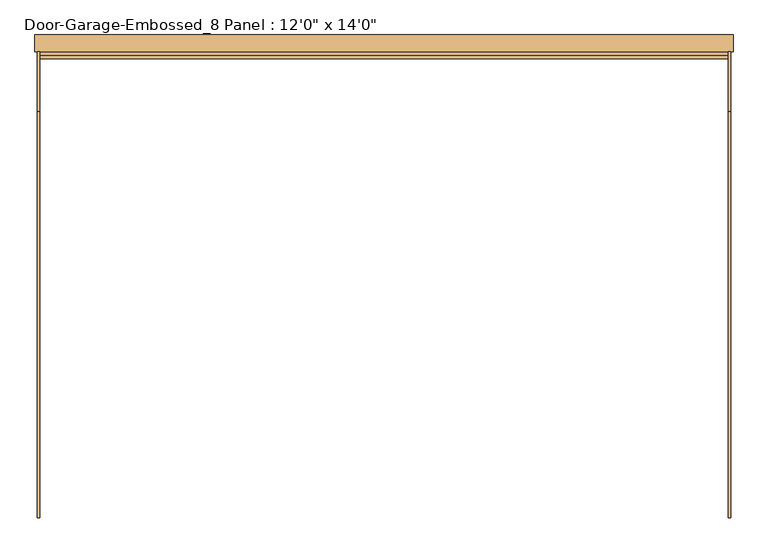
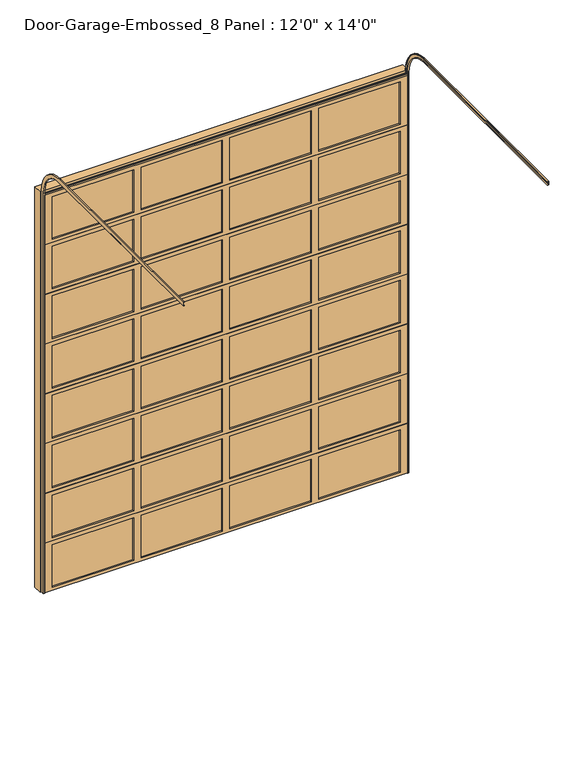
"""IFC4 building model written with IfcOpenShell, lengths in millimetres: door geometry."""

from ifc_helpers import new_model, si_unit, frame, origin, place, context, project, spatial, polyline, circle_curve, outline, extrude, faceted_brep, source, transform, mapped, element, save
from ifc_brep_helpers import plane_surface, cylinder_surface, revolved_surface, advanced_brep


def door_18953475(model_context):
    return source(origin(), model_context, "Body", "SolidModel", [
        extrude(outline(polyline([(857.25, -63.5), (857.25, -69.85), (38.1, -69.85), (38.1, -63.5), (857.25, -63.5)])), frame((0.0, 0.0, 3746.5), z_axis=(0.0, 0.0, 1.0), x_axis=(1.0, 0.0, 0.0)), (0.0, 0.0, 1.0), 454.025),
        extrude(outline(polyline([(-38.1, -63.5), (-38.1, -69.85), (-857.25, -69.85), (-857.25, -63.5), (-38.1, -63.5)])), frame((0.0, 0.0, 3746.5), z_axis=(0.0, 0.0, 1.0), x_axis=(1.0, 0.0, 0.0)), (0.0, 0.0, 1.0), 454.025),
        extrude(outline(polyline([(1752.6, -63.5), (1752.6, -69.85), (933.45, -69.85), (933.45, -63.5), (1752.6, -63.5)])), frame((0.0, 0.0, 3746.5), z_axis=(0.0, 0.0, 1.0), x_axis=(1.0, 0.0, 0.0)), (0.0, 0.0, 1.0), 454.025),
        extrude(outline(polyline([(-933.45, -63.5), (-933.45, -69.85), (-1752.6, -69.85), (-1752.6, -63.5), (-933.45, -63.5)])), frame((0.0, 0.0, 3746.5), z_axis=(0.0, 0.0, 1.0), x_axis=(1.0, 0.0, 0.0)), (0.0, 0.0, 1.0), 454.025),
        faceted_brep([(1828.8, -69.85, 4241.8), (1828.8, -85.725, 4241.8), (1828.8, -85.725, 3714.75), (1828.8, -63.5, 3714.75), (1828.8, -63.5, 3708.4), (1828.8, -47.625, 3708.4), (1828.8, -47.625, 4235.45), (1828.8, -69.85, 4235.45), (-1828.8, -85.725, 4241.8), (-1828.8, -69.85, 4241.8), (-1828.8, -69.85, 4235.45), (-1828.8, -47.625, 4235.45), (-1828.8, -47.625, 3708.4), (-1828.8, -63.5, 3708.4), (-1828.8, -63.5, 3714.75), (-1828.8, -85.725, 3714.75), (933.45, -85.725, 4200.525), (1752.6, -85.725, 4200.525), (1752.6, -85.725, 3746.5), (933.45, -85.725, 3746.5), (-857.25, -85.725, 4200.525), (-38.1, -85.725, 4200.525), (-38.1, -85.725, 3746.5), (-857.25, -85.725, 3746.5), (38.1, -85.725, 4200.525), (857.25, -85.725, 4200.525), (857.25, -85.725, 3746.5), (38.1, -85.725, 3746.5), (-1752.6, -85.725, 4200.525), (-933.45, -85.725, 4200.525), (-933.45, -85.725, 3746.5), (-1752.6, -85.725, 3746.5), (1752.6, -47.625, 4200.525), (933.45, -47.625, 4200.525), (933.45, -47.625, 3746.5), (1752.6, -47.625, 3746.5), (-38.1, -47.625, 4200.525), (-857.25, -47.625, 4200.525), (-857.25, -47.625, 3746.5), (-38.1, -47.625, 3746.5), (857.25, -47.625, 4200.525), (38.1, -47.625, 4200.525), (38.1, -47.625, 3746.5), (857.25, -47.625, 3746.5), (-933.45, -47.625, 4200.525), (-1752.6, -47.625, 4200.525), (-1752.6, -47.625, 3746.5), (-933.45, -47.625, 3746.5)], [[[0, 1, 2, 3, 4, 5, 6, 7]], [[8, 9, 10, 11, 12, 13, 14, 15]], [[1, 0, 9, 8]], [[2, 1, 8, 15], [16, 17, 18, 19], [20, 21, 22, 23], [24, 25, 26, 27], [28, 29, 30, 31]], [[3, 2, 15, 14]], [[4, 3, 14, 13]], [[5, 4, 13, 12]], [[6, 5, 12, 11], [32, 33, 34, 35], [36, 37, 38, 39], [40, 41, 42, 43], [44, 45, 46, 47]], [[7, 6, 11, 10]], [[0, 7, 10, 9]], [[16, 33, 32, 17]], [[33, 16, 19, 34]], [[34, 19, 18, 35]], [[17, 32, 35, 18]], [[20, 37, 36, 21]], [[37, 20, 23, 38]], [[38, 23, 22, 39]], [[21, 36, 39, 22]], [[24, 41, 40, 25]], [[41, 24, 27, 42]], [[42, 27, 26, 43]], [[25, 40, 43, 26]], [[28, 45, 44, 29]], [[45, 28, 31, 46]], [[46, 31, 30, 47]], [[29, 44, 47, 30]]]),
        extrude(outline(polyline([(857.25, -63.5), (857.25, -69.85), (38.1, -69.85), (38.1, -63.5), (857.25, -63.5)])), frame((0.0, 0.0, 2159.0), z_axis=(0.0, 0.0, 1.0), x_axis=(1.0, 0.0, 0.0)), (0.0, 0.0, 1.0), 454.025),
        extrude(outline(polyline([(-38.1, -63.5), (-38.1, -69.85), (-857.25, -69.85), (-857.25, -63.5), (-38.1, -63.5)])), frame((0.0, 0.0, 2159.0), z_axis=(0.0, 0.0, 1.0), x_axis=(1.0, 0.0, 0.0)), (0.0, 0.0, 1.0), 454.025),
        extrude(outline(polyline([(1752.6, -63.5), (1752.6, -69.85), (933.45, -69.85), (933.45, -63.5), (1752.6, -63.5)])), frame((0.0, 0.0, 2159.0), z_axis=(0.0, 0.0, 1.0), x_axis=(1.0, 0.0, 0.0)), (0.0, 0.0, 1.0), 454.025),
        extrude(outline(polyline([(-933.45, -63.5), (-933.45, -69.85), (-1752.6, -69.85), (-1752.6, -63.5), (-933.45, -63.5)])), frame((0.0, 0.0, 2159.0), z_axis=(0.0, 0.0, 1.0), x_axis=(1.0, 0.0, 0.0)), (0.0, 0.0, 1.0), 454.025),
        faceted_brep([(1828.8, -69.85, 2654.3), (1828.8, -85.725, 2654.3), (1828.8, -85.725, 2127.25), (1828.8, -63.5, 2127.25), (1828.8, -63.5, 2120.9), (1828.8, -47.625, 2120.9), (1828.8, -47.625, 2647.95), (1828.8, -69.85, 2647.95), (-1828.8, -85.725, 2654.3), (-1828.8, -69.85, 2654.3), (-1828.8, -69.85, 2647.95), (-1828.8, -47.625, 2647.95), (-1828.8, -47.625, 2120.9), (-1828.8, -63.5, 2120.9), (-1828.8, -63.5, 2127.25), (-1828.8, -85.725, 2127.25), (933.45, -85.725, 2613.025), (1752.6, -85.725, 2613.025), (1752.6, -85.725, 2159.0), (933.45, -85.725, 2159.0), (-857.25, -85.725, 2613.025), (-38.1, -85.725, 2613.025), (-38.1, -85.725, 2159.0), (-857.25, -85.725, 2159.0), (38.1, -85.725, 2613.025), (857.25, -85.725, 2613.025), (857.25, -85.725, 2159.0), (38.1, -85.725, 2159.0), (-1752.6, -85.725, 2613.025), (-933.45, -85.725, 2613.025), (-933.45, -85.725, 2159.0), (-1752.6, -85.725, 2159.0), (1752.6, -47.625, 2613.025), (933.45, -47.625, 2613.025), (933.45, -47.625, 2159.0), (1752.6, -47.625, 2159.0), (-38.1, -47.625, 2613.025), (-857.25, -47.625, 2613.025), (-857.25, -47.625, 2159.0), (-38.1, -47.625, 2159.0), (857.25, -47.625, 2613.025), (38.1, -47.625, 2613.025), (38.1, -47.625, 2159.0), (857.25, -47.625, 2159.0), (-933.45, -47.625, 2613.025), (-1752.6, -47.625, 2613.025), (-1752.6, -47.625, 2159.0), (-933.45, -47.625, 2159.0)], [[[0, 1, 2, 3, 4, 5, 6, 7]], [[8, 9, 10, 11, 12, 13, 14, 15]], [[1, 0, 9, 8]], [[2, 1, 8, 15], [16, 17, 18, 19], [20, 21, 22, 23], [24, 25, 26, 27], [28, 29, 30, 31]], [[3, 2, 15, 14]], [[4, 3, 14, 13]], [[5, 4, 13, 12]], [[6, 5, 12, 11], [32, 33, 34, 35], [36, 37, 38, 39], [40, 41, 42, 43], [44, 45, 46, 47]], [[7, 6, 11, 10]], [[0, 7, 10, 9]], [[16, 33, 32, 17]], [[33, 16, 19, 34]], [[34, 19, 18, 35]], [[17, 32, 35, 18]], [[20, 37, 36, 21]], [[37, 20, 23, 38]], [[38, 23, 22, 39]], [[21, 36, 39, 22]], [[24, 41, 40, 25]], [[41, 24, 27, 42]], [[42, 27, 26, 43]], [[25, 40, 43, 26]], [[28, 45, 44, 29]], [[45, 28, 31, 46]], [[46, 31, 30, 47]], [[29, 44, 47, 30]]]),
        extrude(outline(polyline([(857.25, -63.5), (857.25, -69.85), (38.1, -69.85), (38.1, -63.5), (857.25, -63.5)])), frame((0.0, 0.0, 1098.55), z_axis=(0.0, 0.0, 1.0), x_axis=(1.0, 0.0, 0.0)), (0.0, 0.0, 1.0), 454.025),
        extrude(outline(polyline([(-38.1, -63.5), (-38.1, -69.85), (-857.25, -69.85), (-857.25, -63.5), (-38.1, -63.5)])), frame((0.0, 0.0, 1098.55), z_axis=(0.0, 0.0, 1.0), x_axis=(1.0, 0.0, 0.0)), (0.0, 0.0, 1.0), 454.025),
        extrude(outline(polyline([(1752.6, -63.5), (1752.6, -69.85), (933.45, -69.85), (933.45, -63.5), (1752.6, -63.5)])), frame((0.0, 0.0, 1098.55), z_axis=(0.0, 0.0, 1.0), x_axis=(1.0, 0.0, 0.0)), (0.0, 0.0, 1.0), 454.025),
        extrude(outline(polyline([(-933.45, -63.5), (-933.45, -69.85), (-1752.6, -69.85), (-1752.6, -63.5), (-933.45, -63.5)])), frame((0.0, 0.0, 1098.55), z_axis=(0.0, 0.0, 1.0), x_axis=(1.0, 0.0, 0.0)), (0.0, 0.0, 1.0), 454.025),
        faceted_brep([(1828.8, -69.85, 1593.85), (1828.8, -85.725, 1593.85), (1828.8, -85.725, 1066.8), (1828.8, -63.5, 1066.8), (1828.8, -63.5, 1060.45), (1828.8, -47.625, 1060.45), (1828.8, -47.625, 1587.5), (1828.8, -69.85, 1587.5), (-1828.8, -85.725, 1593.85), (-1828.8, -69.85, 1593.85), (-1828.8, -69.85, 1587.5), (-1828.8, -47.625, 1587.5), (-1828.8, -47.625, 1060.45), (-1828.8, -63.5, 1060.45), (-1828.8, -63.5, 1066.8), (-1828.8, -85.725, 1066.8), (933.45, -85.725, 1552.575), (1752.6, -85.725, 1552.575), (1752.6, -85.725, 1098.55), (933.45, -85.725, 1098.55), (-857.25, -85.725, 1552.575), (-38.1, -85.725, 1552.575), (-38.1, -85.725, 1098.55), (-857.25, -85.725, 1098.55), (38.1, -85.725, 1552.575), (857.25, -85.725, 1552.575), (857.25, -85.725, 1098.55), (38.1, -85.725, 1098.55), (-1752.6, -85.725, 1552.575), (-933.45, -85.725, 1552.575), (-933.45, -85.725, 1098.55), (-1752.6, -85.725, 1098.55), (1752.6, -47.625, 1552.575), (933.45, -47.625, 1552.575), (933.45, -47.625, 1098.55), (1752.6, -47.625, 1098.55), (-38.1, -47.625, 1552.575), (-857.25, -47.625, 1552.575), (-857.25, -47.625, 1098.55), (-38.1, -47.625, 1098.55), (857.25, -47.625, 1552.575), (38.1, -47.625, 1552.575), (38.1, -47.625, 1098.55), (857.25, -47.625, 1098.55), (-933.45, -47.625, 1552.575), (-1752.6, -47.625, 1552.575), (-1752.6, -47.625, 1098.55), (-933.45, -47.625, 1098.55)], [[[0, 1, 2, 3, 4, 5, 6, 7]], [[8, 9, 10, 11, 12, 13, 14, 15]], [[1, 0, 9, 8]], [[2, 1, 8, 15], [16, 17, 18, 19], [20, 21, 22, 23], [24, 25, 26, 27], [28, 29, 30, 31]], [[3, 2, 15, 14]], [[4, 3, 14, 13]], [[5, 4, 13, 12]], [[6, 5, 12, 11], [32, 33, 34, 35], [36, 37, 38, 39], [40, 41, 42, 43], [44, 45, 46, 47]], [[7, 6, 11, 10]], [[0, 7, 10, 9]], [[16, 33, 32, 17]], [[33, 16, 19, 34]], [[34, 19, 18, 35]], [[17, 32, 35, 18]], [[20, 37, 36, 21]], [[37, 20, 23, 38]], [[38, 23, 22, 39]], [[21, 36, 39, 22]], [[24, 41, 40, 25]], [[41, 24, 27, 42]], [[42, 27, 26, 43]], [[25, 40, 43, 26]], [[28, 45, 44, 29]], [[45, 28, 31, 46]], [[46, 31, 30, 47]], [[29, 44, 47, 30]]]),
        extrude(outline(polyline([(857.25, -63.5), (857.25, -69.85), (38.1, -69.85), (38.1, -63.5), (857.25, -63.5)])), frame((0.0, 0.0, 38.1), z_axis=(0.0, 0.0, 1.0), x_axis=(1.0, 0.0, 0.0)), (0.0, 0.0, 1.0), 454.025),
        extrude(outline(polyline([(-38.1, -63.5), (-38.1, -69.85), (-857.25, -69.85), (-857.25, -63.5), (-38.1, -63.5)])), frame((0.0, 0.0, 38.1), z_axis=(0.0, 0.0, 1.0), x_axis=(1.0, 0.0, 0.0)), (0.0, 0.0, 1.0), 454.025),
        extrude(outline(polyline([(1752.6, -63.5), (1752.6, -69.85), (933.45, -69.85), (933.45, -63.5), (1752.6, -63.5)])), frame((0.0, 0.0, 38.1), z_axis=(0.0, 0.0, 1.0), x_axis=(1.0, 0.0, 0.0)), (0.0, 0.0, 1.0), 454.025),
        extrude(outline(polyline([(-933.45, -63.5), (-933.45, -69.85), (-1752.6, -69.85), (-1752.6, -63.5), (-933.45, -63.5)])), frame((0.0, 0.0, 38.1), z_axis=(0.0, 0.0, 1.0), x_axis=(1.0, 0.0, 0.0)), (0.0, 0.0, 1.0), 454.025),
        faceted_brep([(1828.8, -69.85, 533.4), (1828.8, -85.725, 533.4), (1828.8, -85.725, 6.35), (1828.8, -63.5, 6.35), (1828.8, -63.5, 0.0), (1828.8, -47.625, 0.0), (1828.8, -47.625, 527.05), (1828.8, -69.85, 527.05), (-1828.8, -85.725, 533.4), (-1828.8, -69.85, 533.4), (-1828.8, -69.85, 527.05), (-1828.8, -47.625, 527.05), (-1828.8, -47.625, 0.0), (-1828.8, -63.5, 0.0), (-1828.8, -63.5, 6.35), (-1828.8, -85.725, 6.35), (933.45, -85.725, 492.125), (1752.6, -85.725, 492.125), (1752.6, -85.725, 38.1), (933.45, -85.725, 38.1), (-857.25, -85.725, 492.125), (-38.1, -85.725, 492.125), (-38.1, -85.725, 38.1), (-857.25, -85.725, 38.1), (38.1, -85.725, 492.125), (857.25, -85.725, 492.125), (857.25, -85.725, 38.1), (38.1, -85.725, 38.1), (-1752.6, -85.725, 492.125), (-933.45, -85.725, 492.125), (-933.45, -85.725, 38.1), (-1752.6, -85.725, 38.1), (1752.6, -47.625, 492.125), (933.45, -47.625, 492.125), (933.45, -47.625, 38.1), (1752.6, -47.625, 38.1), (-38.1, -47.625, 492.125), (-857.25, -47.625, 492.125), (-857.25, -47.625, 38.1), (-38.1, -47.625, 38.1), (857.25, -47.625, 492.125), (38.1, -47.625, 492.125), (38.1, -47.625, 38.1), (857.25, -47.625, 38.1), (-933.45, -47.625, 492.125), (-1752.6, -47.625, 492.125), (-1752.6, -47.625, 38.1), (-933.45, -47.625, 38.1)], [[[0, 1, 2, 3, 4, 5, 6, 7]], [[8, 9, 10, 11, 12, 13, 14, 15]], [[1, 0, 9, 8]], [[2, 1, 8, 15], [16, 17, 18, 19], [20, 21, 22, 23], [24, 25, 26, 27], [28, 29, 30, 31]], [[3, 2, 15, 14]], [[4, 3, 14, 13]], [[5, 4, 13, 12]], [[6, 5, 12, 11], [32, 33, 34, 35], [36, 37, 38, 39], [40, 41, 42, 43], [44, 45, 46, 47]], [[7, 6, 11, 10]], [[0, 7, 10, 9]], [[16, 33, 32, 17]], [[33, 16, 19, 34]], [[34, 19, 18, 35]], [[17, 32, 35, 18]], [[20, 37, 36, 21]], [[37, 20, 23, 38]], [[38, 23, 22, 39]], [[21, 36, 39, 22]], [[24, 41, 40, 25]], [[41, 24, 27, 42]], [[42, 27, 26, 43]], [[25, 40, 43, 26]], [[28, 45, 44, 29]], [[45, 28, 31, 46]], [[46, 31, 30, 47]], [[29, 44, 47, 30]]]),
        extrude(outline(polyline([(857.25, -63.5), (857.25, -69.85), (38.1, -69.85), (38.1, -63.5), (857.25, -63.5)])), frame((0.0, 0.0, 3219.45), z_axis=(0.0, 0.0, 1.0), x_axis=(1.0, 0.0, 0.0)), (0.0, 0.0, 1.0), 454.025),
        extrude(outline(polyline([(-38.1, -63.5), (-38.1, -69.85), (-857.25, -69.85), (-857.25, -63.5), (-38.1, -63.5)])), frame((0.0, 0.0, 3219.45), z_axis=(0.0, 0.0, 1.0), x_axis=(1.0, 0.0, 0.0)), (0.0, 0.0, 1.0), 454.025),
        extrude(outline(polyline([(1752.6, -63.5), (1752.6, -69.85), (933.45, -69.85), (933.45, -63.5), (1752.6, -63.5)])), frame((0.0, 0.0, 3219.45), z_axis=(0.0, 0.0, 1.0), x_axis=(1.0, 0.0, 0.0)), (0.0, 0.0, 1.0), 454.025),
        extrude(outline(polyline([(-933.45, -63.5), (-933.45, -69.85), (-1752.6, -69.85), (-1752.6, -63.5), (-933.45, -63.5)])), frame((0.0, 0.0, 3219.45), z_axis=(0.0, 0.0, 1.0), x_axis=(1.0, 0.0, 0.0)), (0.0, 0.0, 1.0), 454.025),
        faceted_brep([(1828.8, -69.85, 3714.75), (1828.8, -85.725, 3714.75), (1828.8, -85.725, 3187.7), (1828.8, -63.5, 3187.7), (1828.8, -63.5, 3181.35), (1828.8, -47.625, 3181.35), (1828.8, -47.625, 3708.4), (1828.8, -69.85, 3708.4), (-1828.8, -85.725, 3714.75), (-1828.8, -69.85, 3714.75), (-1828.8, -69.85, 3708.4), (-1828.8, -47.625, 3708.4), (-1828.8, -47.625, 3181.35), (-1828.8, -63.5, 3181.35), (-1828.8, -63.5, 3187.7), (-1828.8, -85.725, 3187.7), (933.45, -85.725, 3673.475), (1752.6, -85.725, 3673.475), (1752.6, -85.725, 3219.45), (933.45, -85.725, 3219.45), (-857.25, -85.725, 3673.475), (-38.1, -85.725, 3673.475), (-38.1, -85.725, 3219.45), (-857.25, -85.725, 3219.45), (38.1, -85.725, 3673.475), (857.25, -85.725, 3673.475), (857.25, -85.725, 3219.45), (38.1, -85.725, 3219.45), (-1752.6, -85.725, 3673.475), (-933.45, -85.725, 3673.475), (-933.45, -85.725, 3219.45), (-1752.6, -85.725, 3219.45), (1752.6, -47.625, 3673.475), (933.45, -47.625, 3673.475), (933.45, -47.625, 3219.45), (1752.6, -47.625, 3219.45), (-38.1, -47.625, 3673.475), (-857.25, -47.625, 3673.475), (-857.25, -47.625, 3219.45), (-38.1, -47.625, 3219.45), (857.25, -47.625, 3673.475), (38.1, -47.625, 3673.475), (38.1, -47.625, 3219.45), (857.25, -47.625, 3219.45), (-933.45, -47.625, 3673.475), (-1752.6, -47.625, 3673.475), (-1752.6, -47.625, 3219.45), (-933.45, -47.625, 3219.45)], [[[0, 1, 2, 3, 4, 5, 6, 7]], [[8, 9, 10, 11, 12, 13, 14, 15]], [[1, 0, 9, 8]], [[2, 1, 8, 15], [16, 17, 18, 19], [20, 21, 22, 23], [24, 25, 26, 27], [28, 29, 30, 31]], [[3, 2, 15, 14]], [[4, 3, 14, 13]], [[5, 4, 13, 12]], [[6, 5, 12, 11], [32, 33, 34, 35], [36, 37, 38, 39], [40, 41, 42, 43], [44, 45, 46, 47]], [[7, 6, 11, 10]], [[0, 7, 10, 9]], [[16, 33, 32, 17]], [[33, 16, 19, 34]], [[34, 19, 18, 35]], [[17, 32, 35, 18]], [[20, 37, 36, 21]], [[37, 20, 23, 38]], [[38, 23, 22, 39]], [[21, 36, 39, 22]], [[24, 41, 40, 25]], [[41, 24, 27, 42]], [[42, 27, 26, 43]], [[25, 40, 43, 26]], [[28, 45, 44, 29]], [[45, 28, 31, 46]], [[46, 31, 30, 47]], [[29, 44, 47, 30]]]),
        extrude(outline(polyline([(857.25, -63.5), (857.25, -69.85), (38.1, -69.85), (38.1, -63.5), (857.25, -63.5)])), frame((0.0, 0.0, 2689.225), z_axis=(0.0, 0.0, 1.0), x_axis=(1.0, 0.0, 0.0)), (0.0, 0.0, 1.0), 454.025),
        extrude(outline(polyline([(-38.1, -63.5), (-38.1, -69.85), (-857.25, -69.85), (-857.25, -63.5), (-38.1, -63.5)])), frame((0.0, 0.0, 2689.225), z_axis=(0.0, 0.0, 1.0), x_axis=(1.0, 0.0, 0.0)), (0.0, 0.0, 1.0), 454.025),
        extrude(outline(polyline([(1752.6, -63.5), (1752.6, -69.85), (933.45, -69.85), (933.45, -63.5), (1752.6, -63.5)])), frame((0.0, 0.0, 2689.225), z_axis=(0.0, 0.0, 1.0), x_axis=(1.0, 0.0, 0.0)), (0.0, 0.0, 1.0), 454.025),
        extrude(outline(polyline([(-933.45, -63.5), (-933.45, -69.85), (-1752.6, -69.85), (-1752.6, -63.5), (-933.45, -63.5)])), frame((0.0, 0.0, 2689.225), z_axis=(0.0, 0.0, 1.0), x_axis=(1.0, 0.0, 0.0)), (0.0, 0.0, 1.0), 454.025),
        faceted_brep([(1828.8, -69.85, 3184.525), (1828.8, -85.725, 3184.525), (1828.8, -85.725, 2657.475), (1828.8, -63.5, 2657.475), (1828.8, -63.5, 2651.125), (1828.8, -47.625, 2651.125), (1828.8, -47.625, 3178.175), (1828.8, -69.85, 3178.175), (-1828.8, -85.725, 3184.525), (-1828.8, -69.85, 3184.525), (-1828.8, -69.85, 3178.175), (-1828.8, -47.625, 3178.175), (-1828.8, -47.625, 2651.125), (-1828.8, -63.5, 2651.125), (-1828.8, -63.5, 2657.475), (-1828.8, -85.725, 2657.475), (933.45, -85.725, 3143.25), (1752.6, -85.725, 3143.25), (1752.6, -85.725, 2689.225), (933.45, -85.725, 2689.225), (-857.25, -85.725, 3143.25), (-38.1, -85.725, 3143.25), (-38.1, -85.725, 2689.225), (-857.25, -85.725, 2689.225), (38.1, -85.725, 3143.25), (857.25, -85.725, 3143.25), (857.25, -85.725, 2689.225), (38.1, -85.725, 2689.225), (-1752.6, -85.725, 3143.25), (-933.45, -85.725, 3143.25), (-933.45, -85.725, 2689.225), (-1752.6, -85.725, 2689.225), (1752.6, -47.625, 3143.25), (933.45, -47.625, 3143.25), (933.45, -47.625, 2689.225), (1752.6, -47.625, 2689.225), (-38.1, -47.625, 3143.25), (-857.25, -47.625, 3143.25), (-857.25, -47.625, 2689.225), (-38.1, -47.625, 2689.225), (857.25, -47.625, 3143.25), (38.1, -47.625, 3143.25), (38.1, -47.625, 2689.225), (857.25, -47.625, 2689.225), (-933.45, -47.625, 3143.25), (-1752.6, -47.625, 3143.25), (-1752.6, -47.625, 2689.225), (-933.45, -47.625, 2689.225)], [[[0, 1, 2, 3, 4, 5, 6, 7]], [[8, 9, 10, 11, 12, 13, 14, 15]], [[1, 0, 9, 8]], [[2, 1, 8, 15], [16, 17, 18, 19], [20, 21, 22, 23], [24, 25, 26, 27], [28, 29, 30, 31]], [[3, 2, 15, 14]], [[4, 3, 14, 13]], [[5, 4, 13, 12]], [[6, 5, 12, 11], [32, 33, 34, 35], [36, 37, 38, 39], [40, 41, 42, 43], [44, 45, 46, 47]], [[7, 6, 11, 10]], [[0, 7, 10, 9]], [[16, 33, 32, 17]], [[33, 16, 19, 34]], [[34, 19, 18, 35]], [[17, 32, 35, 18]], [[20, 37, 36, 21]], [[37, 20, 23, 38]], [[38, 23, 22, 39]], [[21, 36, 39, 22]], [[24, 41, 40, 25]], [[41, 24, 27, 42]], [[42, 27, 26, 43]], [[25, 40, 43, 26]], [[28, 45, 44, 29]], [[45, 28, 31, 46]], [[46, 31, 30, 47]], [[29, 44, 47, 30]]]),
        extrude(outline(polyline([(857.25, -63.5), (857.25, -69.85), (38.1, -69.85), (38.1, -63.5), (857.25, -63.5)])), frame((0.0, 0.0, 1628.775), z_axis=(0.0, 0.0, 1.0), x_axis=(1.0, 0.0, 0.0)), (0.0, 0.0, 1.0), 454.025),
        extrude(outline(polyline([(-38.1, -63.5), (-38.1, -69.85), (-857.25, -69.85), (-857.25, -63.5), (-38.1, -63.5)])), frame((0.0, 0.0, 1628.775), z_axis=(0.0, 0.0, 1.0), x_axis=(1.0, 0.0, 0.0)), (0.0, 0.0, 1.0), 454.025),
        extrude(outline(polyline([(1752.6, -63.5), (1752.6, -69.85), (933.45, -69.85), (933.45, -63.5), (1752.6, -63.5)])), frame((0.0, 0.0, 1628.775), z_axis=(0.0, 0.0, 1.0), x_axis=(1.0, 0.0, 0.0)), (0.0, 0.0, 1.0), 454.025),
        extrude(outline(polyline([(-933.45, -63.5), (-933.45, -69.85), (-1752.6, -69.85), (-1752.6, -63.5), (-933.45, -63.5)])), frame((0.0, 0.0, 1628.775), z_axis=(0.0, 0.0, 1.0), x_axis=(1.0, 0.0, 0.0)), (0.0, 0.0, 1.0), 454.025),
        faceted_brep([(1828.8, -69.85, 2124.075), (1828.8, -85.725, 2124.075), (1828.8, -85.725, 1597.025), (1828.8, -63.5, 1597.025), (1828.8, -63.5, 1590.675), (1828.8, -47.625, 1590.675), (1828.8, -47.625, 2117.725), (1828.8, -69.85, 2117.725), (-1828.8, -85.725, 2124.075), (-1828.8, -69.85, 2124.075), (-1828.8, -69.85, 2117.725), (-1828.8, -47.625, 2117.725), (-1828.8, -47.625, 1590.675), (-1828.8, -63.5, 1590.675), (-1828.8, -63.5, 1597.025), (-1828.8, -85.725, 1597.025), (933.45, -85.725, 2082.8), (1752.6, -85.725, 2082.8), (1752.6, -85.725, 1628.775), (933.45, -85.725, 1628.775), (-857.25, -85.725, 2082.8), (-38.1, -85.725, 2082.8), (-38.1, -85.725, 1628.775), (-857.25, -85.725, 1628.775), (38.1, -85.725, 2082.8), (857.25, -85.725, 2082.8), (857.25, -85.725, 1628.775), (38.1, -85.725, 1628.775), (-1752.6, -85.725, 2082.8), (-933.45, -85.725, 2082.8), (-933.45, -85.725, 1628.775), (-1752.6, -85.725, 1628.775), (1752.6, -47.625, 2082.8), (933.45, -47.625, 2082.8), (933.45, -47.625, 1628.775), (1752.6, -47.625, 1628.775), (-38.1, -47.625, 2082.8), (-857.25, -47.625, 2082.8), (-857.25, -47.625, 1628.775), (-38.1, -47.625, 1628.775), (857.25, -47.625, 2082.8), (38.1, -47.625, 2082.8), (38.1, -47.625, 1628.775), (857.25, -47.625, 1628.775), (-933.45, -47.625, 2082.8), (-1752.6, -47.625, 2082.8), (-1752.6, -47.625, 1628.775), (-933.45, -47.625, 1628.775)], [[[0, 1, 2, 3, 4, 5, 6, 7]], [[8, 9, 10, 11, 12, 13, 14, 15]], [[1, 0, 9, 8]], [[2, 1, 8, 15], [16, 17, 18, 19], [20, 21, 22, 23], [24, 25, 26, 27], [28, 29, 30, 31]], [[3, 2, 15, 14]], [[4, 3, 14, 13]], [[5, 4, 13, 12]], [[6, 5, 12, 11], [32, 33, 34, 35], [36, 37, 38, 39], [40, 41, 42, 43], [44, 45, 46, 47]], [[7, 6, 11, 10]], [[0, 7, 10, 9]], [[16, 33, 32, 17]], [[33, 16, 19, 34]], [[34, 19, 18, 35]], [[17, 32, 35, 18]], [[20, 37, 36, 21]], [[37, 20, 23, 38]], [[38, 23, 22, 39]], [[21, 36, 39, 22]], [[24, 41, 40, 25]], [[41, 24, 27, 42]], [[42, 27, 26, 43]], [[25, 40, 43, 26]], [[28, 45, 44, 29]], [[45, 28, 31, 46]], [[46, 31, 30, 47]], [[29, 44, 47, 30]]]),
        extrude(outline(polyline([(857.25, -63.5), (857.25, -69.85), (38.1, -69.85), (38.1, -63.5), (857.25, -63.5)])), frame((0.0, 0.0, 568.325), z_axis=(0.0, 0.0, 1.0), x_axis=(1.0, 0.0, 0.0)), (0.0, 0.0, 1.0), 454.025),
        extrude(outline(polyline([(-38.1, -63.5), (-38.1, -69.85), (-857.25, -69.85), (-857.25, -63.5), (-38.1, -63.5)])), frame((0.0, 0.0, 568.325), z_axis=(0.0, 0.0, 1.0), x_axis=(1.0, 0.0, 0.0)), (0.0, 0.0, 1.0), 454.025),
        extrude(outline(polyline([(1752.6, -63.5), (1752.6, -69.85), (933.45, -69.85), (933.45, -63.5), (1752.6, -63.5)])), frame((0.0, 0.0, 568.325), z_axis=(0.0, 0.0, 1.0), x_axis=(1.0, 0.0, 0.0)), (0.0, 0.0, 1.0), 454.025),
        extrude(outline(polyline([(-933.45, -63.5), (-933.45, -69.85), (-1752.6, -69.85), (-1752.6, -63.5), (-933.45, -63.5)])), frame((0.0, 0.0, 568.325), z_axis=(0.0, 0.0, 1.0), x_axis=(1.0, 0.0, 0.0)), (0.0, 0.0, 1.0), 454.025),
        faceted_brep([(1828.8, -69.85, 1063.625), (1828.8, -85.725, 1063.625), (1828.8, -85.725, 536.575), (1828.8, -63.5, 536.575), (1828.8, -63.5, 530.225), (1828.8, -47.625, 530.225), (1828.8, -47.625, 1057.275), (1828.8, -69.85, 1057.275), (-1828.8, -85.725, 1063.625), (-1828.8, -69.85, 1063.625), (-1828.8, -69.85, 1057.275), (-1828.8, -47.625, 1057.275), (-1828.8, -47.625, 530.225), (-1828.8, -63.5, 530.225), (-1828.8, -63.5, 536.575), (-1828.8, -85.725, 536.575), (933.45, -85.725, 1022.35), (1752.6, -85.725, 1022.35), (1752.6, -85.725, 568.325), (933.45, -85.725, 568.325), (-857.25, -85.725, 1022.35), (-38.1, -85.725, 1022.35), (-38.1, -85.725, 568.325), (-857.25, -85.725, 568.325), (38.1, -85.725, 1022.35), (857.25, -85.725, 1022.35), (857.25, -85.725, 568.325), (38.1, -85.725, 568.325), (-1752.6, -85.725, 1022.35), (-933.45, -85.725, 1022.35), (-933.45, -85.725, 568.325), (-1752.6, -85.725, 568.325), (1752.6, -47.625, 1022.35), (933.45, -47.625, 1022.35), (933.45, -47.625, 568.325), (1752.6, -47.625, 568.325), (-38.1, -47.625, 1022.35), (-857.25, -47.625, 1022.35), (-857.25, -47.625, 568.325), (-38.1, -47.625, 568.325), (857.25, -47.625, 1022.35), (38.1, -47.625, 1022.35), (38.1, -47.625, 568.325), (857.25, -47.625, 568.325), (-933.45, -47.625, 1022.35), (-1752.6, -47.625, 1022.35), (-1752.6, -47.625, 568.325), (-933.45, -47.625, 568.325)], [[[0, 1, 2, 3, 4, 5, 6, 7]], [[8, 9, 10, 11, 12, 13, 14, 15]], [[1, 0, 9, 8]], [[2, 1, 8, 15], [16, 17, 18, 19], [20, 21, 22, 23], [24, 25, 26, 27], [28, 29, 30, 31]], [[3, 2, 15, 14]], [[4, 3, 14, 13]], [[5, 4, 13, 12]], [[6, 5, 12, 11], [32, 33, 34, 35], [36, 37, 38, 39], [40, 41, 42, 43], [44, 45, 46, 47]], [[7, 6, 11, 10]], [[0, 7, 10, 9]], [[16, 33, 32, 17]], [[33, 16, 19, 34]], [[34, 19, 18, 35]], [[17, 32, 35, 18]], [[20, 37, 36, 21]], [[37, 20, 23, 38]], [[38, 23, 22, 39]], [[21, 36, 39, 22]], [[24, 41, 40, 25]], [[41, 24, 27, 42]], [[42, 27, 26, 43]], [[25, 40, 43, 26]], [[28, 45, 44, 29]], [[45, 28, 31, 46]], [[46, 31, 30, 47]], [[29, 44, 47, 30]]]),
        advanced_brep(
        [(1841.5, -85.725, 0.0), (1828.8, -85.725, 0.0), (1828.8, -82.55, 0.0), (1838.325, -82.55, 0.0), (1838.325, -50.8, 0.0), (1828.8, -50.8, 0.0), (1828.8, -47.625, 0.0), (1841.5, -47.625, 0.0), (1841.5, -85.725, 4267.2), (1828.8, -85.725, 4267.2), (1828.8, -365.125, 4546.6), (1828.8, -2524.125, 4546.6), (1828.8, -2524.125, 4549.775), (1828.8, -365.125, 4549.775), (1828.8, -82.55, 4267.2), (1838.325, -82.55, 4267.2), (1838.325, -365.125, 4549.775), (1838.325, -2524.125, 4549.775), (1838.325, -2524.125, 4581.525), (1838.325, -365.125, 4581.525), (1838.325, -50.8, 4267.2), (1828.8, -50.8, 4267.2), (1828.8, -365.125, 4581.525), (1828.8, -2524.125, 4581.525), (1828.8, -2524.125, 4584.7), (1828.8, -365.125, 4584.7), (1828.8, -47.625, 4267.2), (1841.5, -47.625, 4267.2), (1841.5, -365.125, 4584.7), (1841.5, -2524.125, 4584.7), (1841.5, -2524.125, 4546.6), (1841.5, -365.125, 4546.6)],
        [
            (0, 1),
            (1, 2),
            (2, 3),
            (3, 4),
            (4, 5),
            (5, 6),
            (6, 7),
            (7, 0),
            (0, 8),
            (8, 9),
            (9, 1),
            (9, 10, circle_curve(frame((1828.8, -365.125, 4267.2), z_axis=(1.0, 0.0, 0.0), x_axis=(0.0, 1.0, 0.0)), 279.4)),
            (10, 11),
            (11, 12),
            (12, 13),
            (13, 14, circle_curve(frame((1828.8, -365.125, 4267.2), z_axis=(-1.0, 0.0, 0.0), x_axis=(0.0, 1.0, 0.0)), 282.575)),
            (14, 2),
            (14, 15),
            (15, 3),
            (15, 16, circle_curve(frame((1838.325, -365.125, 4267.2), z_axis=(1.0, 0.0, 0.0), x_axis=(0.0, 1.0, 0.0)), 282.575)),
            (16, 17),
            (17, 18),
            (18, 19),
            (19, 20, circle_curve(frame((1838.325, -365.125, 4267.2), z_axis=(-1.0, 0.0, 0.0), x_axis=(0.0, 1.0, 0.0)), 314.325)),
            (20, 4),
            (20, 21),
            (21, 5),
            (21, 22, circle_curve(frame((1828.8, -365.125, 4267.2), z_axis=(1.0, 0.0, 0.0), x_axis=(0.0, 1.0, 0.0)), 314.325)),
            (22, 23),
            (23, 24),
            (24, 25),
            (25, 26, circle_curve(frame((1828.8, -365.125, 4267.2), z_axis=(-1.0, 0.0, 0.0), x_axis=(0.0, 1.0, 0.0)), 317.5)),
            (26, 6),
            (26, 27),
            (27, 7),
            (27, 28, circle_curve(frame((1841.5, -365.125, 4267.2), z_axis=(1.0, 0.0, 0.0), x_axis=(0.0, 1.0, 0.0)), 317.5)),
            (28, 29),
            (29, 30),
            (30, 31),
            (31, 8, circle_curve(frame((1841.5, -365.125, 4267.2), z_axis=(-1.0, 0.0, 0.0), x_axis=(0.0, 1.0, 0.0)), 279.4)),
            (31, 10),
            (13, 16),
            (19, 22),
            (25, 28),
            (29, 24),
            (23, 18),
            (17, 12),
            (11, 30),
        ],
        [
            plane_surface(frame((0.0, -85.725, 0.0), z_axis=(0.0, 0.0, -1.0), x_axis=(1.0, 0.0, 0.0))),
            plane_surface(frame((1841.5, -85.725, 0.0), z_axis=(0.0, -1.0, 0.0), x_axis=(0.0, 0.0, 1.0))),
            plane_surface(frame((1828.8, -85.725, 0.0), z_axis=(-1.0, 0.0, 0.0), x_axis=(0.0, 0.0, 1.0))),
            plane_surface(frame((1828.8, -82.55, 0.0), z_axis=(0.0, 1.0, 0.0), x_axis=(0.0, 0.0, 1.0))),
            plane_surface(frame((1838.325, -82.55, 0.0), z_axis=(-1.0, 0.0, 0.0), x_axis=(0.0, 0.0, 1.0))),
            plane_surface(frame((1838.325, -50.8, 0.0), z_axis=(0.0, -1.0, 0.0), x_axis=(0.0, 0.0, 1.0))),
            plane_surface(frame((1828.8, -50.8, 0.0), z_axis=(-1.0, 0.0, 0.0), x_axis=(0.0, 0.0, 1.0))),
            plane_surface(frame((1828.8, -47.625, 0.0), z_axis=(0.0, 1.0, 0.0), x_axis=(0.0, 0.0, 1.0))),
            plane_surface(frame((1841.5, -47.625, 0.0), z_axis=(1.0, 0.0, 0.0), x_axis=(0.0, 0.0, 1.0))),
            revolved_surface(polyline([(1841.5, -85.72500000000002, 4267.2), (1828.8, -85.72500000000002, 4267.2)]), (0.0, -365.125, 4267.2), (1.0, 0.0, 0.0)),
            cylinder_surface(frame((0.0, -365.125, 4267.2), z_axis=(1.0, 0.0, 0.0), x_axis=(0.0, 1.0, 0.0)), 282.575),
            revolved_surface(polyline([(1838.325, -50.80000000000001, 4267.2), (1828.8, -50.80000000000001, 4267.2)]), (0.0, -365.125, 4267.2), (1.0, 0.0, 0.0)),
            cylinder_surface(frame((0.0, -365.125, 4267.2), z_axis=(1.0, 0.0, 0.0), x_axis=(0.0, 1.0, 0.0)), 317.5),
            plane_surface(frame((0.0, -2524.125, 4546.6), z_axis=(0.0, -1.0, 0.0), x_axis=(1.0, 0.0, 0.0))),
            plane_surface(frame((1841.5, -365.125, 4546.6), z_axis=(0.0, 0.0, -1.0), x_axis=(0.0, -1.0, 0.0))),
            plane_surface(frame((1828.8, -365.125, 4549.775), z_axis=(0.0, 0.0, 1.0), x_axis=(0.0, -1.0, 0.0))),
            plane_surface(frame((1838.325, -365.125, 4581.525), z_axis=(0.0, 0.0, -1.0), x_axis=(0.0, -1.0, 0.0))),
            plane_surface(frame((1828.8, -365.125, 4584.7), z_axis=(0.0, 0.0, 1.0), x_axis=(0.0, -1.0, 0.0))),
        ],
        [
            (0, [[1, 2, 3, 4, 5, 6, 7, 8]]),
            (1, [[-1, 9, 10, 11]]),
            (2, [[-2, -11, 12, 13, 14, 15, 16, 17]]),
            (3, [[-3, -17, 18, 19]]),
            (4, [[-4, -19, 20, 21, 22, 23, 24, 25]]),
            (5, [[-5, -25, 26, 27]]),
            (6, [[-6, -27, 28, 29, 30, 31, 32, 33]]),
            (7, [[-7, -33, 34, 35]]),
            (8, [[-8, -35, 36, 37, 38, 39, 40, -9]]),
            (9, [[-12, -10, -40, 41]]),
            (10, [[-20, -18, -16, 42]]),
            (11, [[-28, -26, -24, 43]]),
            (12, [[-36, -34, -32, 44]]),
            (13, [[-38, 45, -30, 46, -22, 47, -14, 48]]),
            (14, [[-41, -39, -48, -13]]),
            (15, [[-42, -15, -47, -21]]),
            (16, [[-43, -23, -46, -29]]),
            (17, [[-44, -31, -45, -37]]),
        ],
    ),
        advanced_brep(
        [(-1841.5, -85.725, 0.0), (-1841.5, -47.625, 0.0), (-1828.8, -47.625, 0.0), (-1828.8, -50.8, 0.0), (-1838.325, -50.8, 0.0), (-1838.325, -82.55, 0.0), (-1828.8, -82.55, 0.0), (-1828.8, -85.725, 0.0), (-1841.5, -85.725, 4267.2), (-1841.5, -365.125, 4546.6), (-1841.5, -2524.125, 4546.6), (-1841.5, -2524.125, 4584.7), (-1841.5, -365.125, 4584.7), (-1841.5, -47.625, 4267.2), (-1828.8, -47.625, 4267.2), (-1828.8, -365.125, 4584.7), (-1828.8, -2524.125, 4584.7), (-1828.8, -2524.125, 4581.525), (-1828.8, -365.125, 4581.525), (-1828.8, -50.8, 4267.2), (-1838.325, -50.8, 4267.2), (-1838.325, -365.125, 4581.525), (-1838.325, -2524.125, 4581.525), (-1838.325, -2524.125, 4549.775), (-1838.325, -365.125, 4549.775), (-1838.325, -82.55, 4267.2), (-1828.8, -82.55, 4267.2), (-1828.8, -365.125, 4549.775), (-1828.8, -2524.125, 4549.775), (-1828.8, -2524.125, 4546.6), (-1828.8, -365.125, 4546.6), (-1828.8, -85.725, 4267.2)],
        [
            (0, 1),
            (1, 2),
            (2, 3),
            (3, 4),
            (4, 5),
            (5, 6),
            (6, 7),
            (7, 0),
            (0, 8),
            (8, 9, circle_curve(frame((-1841.5, -365.125, 4267.2), z_axis=(1.0, 0.0, 0.0), x_axis=(0.0, 1.0, 0.0)), 279.4)),
            (9, 10),
            (10, 11),
            (11, 12),
            (12, 13, circle_curve(frame((-1841.5, -365.125, 4267.2), z_axis=(-1.0, 0.0, 0.0), x_axis=(0.0, 1.0, 0.0)), 317.5)),
            (13, 1),
            (13, 14),
            (14, 2),
            (14, 15, circle_curve(frame((-1828.8, -365.125, 4267.2), z_axis=(1.0, 0.0, 0.0), x_axis=(0.0, 1.0, 0.0)), 317.5)),
            (15, 16),
            (16, 17),
            (17, 18),
            (18, 19, circle_curve(frame((-1828.8, -365.125, 4267.2), z_axis=(-1.0, 0.0, 0.0), x_axis=(0.0, 1.0, 0.0)), 314.325)),
            (19, 3),
            (19, 20),
            (20, 4),
            (20, 21, circle_curve(frame((-1838.325, -365.125, 4267.2), z_axis=(1.0, 0.0, 0.0), x_axis=(0.0, 1.0, 0.0)), 314.325)),
            (21, 22),
            (22, 23),
            (23, 24),
            (24, 25, circle_curve(frame((-1838.325, -365.125, 4267.2), z_axis=(-1.0, 0.0, 0.0), x_axis=(0.0, 1.0, 0.0)), 282.575)),
            (25, 5),
            (25, 26),
            (26, 6),
            (26, 27, circle_curve(frame((-1828.8, -365.125, 4267.2), z_axis=(1.0, 0.0, 0.0), x_axis=(0.0, 1.0, 0.0)), 282.575)),
            (27, 28),
            (28, 29),
            (29, 30),
            (30, 31, circle_curve(frame((-1828.8, -365.125, 4267.2), z_axis=(-1.0, 0.0, 0.0), x_axis=(0.0, 1.0, 0.0)), 279.4)),
            (31, 7),
            (31, 8),
            (12, 15),
            (18, 21),
            (24, 27),
            (30, 9),
            (10, 29),
            (28, 23),
            (22, 17),
            (16, 11),
        ],
        [
            plane_surface(frame((0.0, -85.725, 0.0), z_axis=(0.0, 0.0, -1.0), x_axis=(1.0, 0.0, 0.0))),
            plane_surface(frame((-1841.5, -85.725, 0.0), z_axis=(-1.0, 0.0, 0.0), x_axis=(0.0, 0.0, 1.0))),
            plane_surface(frame((-1841.5, -47.625, 0.0), z_axis=(0.0, 1.0, 0.0), x_axis=(0.0, 0.0, 1.0))),
            plane_surface(frame((-1828.8, -47.625, 0.0), z_axis=(1.0, 0.0, 0.0), x_axis=(0.0, 0.0, 1.0))),
            plane_surface(frame((-1828.8, -50.8, 0.0), z_axis=(0.0, -1.0, 0.0), x_axis=(0.0, 0.0, 1.0))),
            plane_surface(frame((-1838.325, -50.8, 0.0), z_axis=(1.0, 0.0, 0.0), x_axis=(0.0, 0.0, 1.0))),
            plane_surface(frame((-1838.325, -82.55, 0.0), z_axis=(0.0, 1.0, 0.0), x_axis=(0.0, 0.0, 1.0))),
            plane_surface(frame((-1828.8, -82.55, 0.0), z_axis=(1.0, 0.0, 0.0), x_axis=(0.0, 0.0, 1.0))),
            plane_surface(frame((-1828.8, -85.725, 0.0), z_axis=(0.0, -1.0, 0.0), x_axis=(0.0, 0.0, 1.0))),
            cylinder_surface(frame((0.0, -365.125, 4267.2), z_axis=(1.0, 0.0, 0.0), x_axis=(0.0, 1.0, 0.0)), 317.5),
            revolved_surface(polyline([(-1828.8, -50.80000000000001, 4267.2), (-1838.325, -50.80000000000001, 4267.2)]), (0.0, -365.125, 4267.2), (1.0, 0.0, 0.0)),
            cylinder_surface(frame((0.0, -365.125, 4267.2), z_axis=(1.0, 0.0, 0.0), x_axis=(0.0, 1.0, 0.0)), 282.575),
            revolved_surface(polyline([(-1828.8, -85.72500000000002, 4267.2), (-1841.5, -85.72500000000002, 4267.2)]), (0.0, -365.125, 4267.2), (1.0, 0.0, 0.0)),
            plane_surface(frame((0.0, -2524.125, 4546.6), z_axis=(0.0, -1.0, 0.0), x_axis=(1.0, 0.0, 0.0))),
            plane_surface(frame((-1841.5, -365.125, 4584.7), z_axis=(0.0, 0.0, 1.0), x_axis=(0.0, -1.0, 0.0))),
            plane_surface(frame((-1828.8, -365.125, 4581.525), z_axis=(0.0, 0.0, -1.0), x_axis=(0.0, -1.0, 0.0))),
            plane_surface(frame((-1838.325, -365.125, 4549.775), z_axis=(0.0, 0.0, 1.0), x_axis=(0.0, -1.0, 0.0))),
            plane_surface(frame((-1828.8, -365.125, 4546.6), z_axis=(0.0, 0.0, -1.0), x_axis=(0.0, -1.0, 0.0))),
        ],
        [
            (0, [[1, 2, 3, 4, 5, 6, 7, 8]]),
            (1, [[-1, 9, 10, 11, 12, 13, 14, 15]]),
            (2, [[-2, -15, 16, 17]]),
            (3, [[-3, -17, 18, 19, 20, 21, 22, 23]]),
            (4, [[-4, -23, 24, 25]]),
            (5, [[-5, -25, 26, 27, 28, 29, 30, 31]]),
            (6, [[-6, -31, 32, 33]]),
            (7, [[-7, -33, 34, 35, 36, 37, 38, 39]]),
            (8, [[-8, -39, 40, -9]]),
            (9, [[-18, -16, -14, 41]]),
            (10, [[-26, -24, -22, 42]]),
            (11, [[-34, -32, -30, 43]]),
            (12, [[-10, -40, -38, 44]]),
            (13, [[45, -36, 46, -28, 47, -20, 48, -12]]),
            (14, [[-41, -13, -48, -19]]),
            (15, [[-42, -21, -47, -27]]),
            (16, [[-43, -29, -46, -35]]),
            (17, [[-44, -37, -45, -11]]),
        ],
    ),
        extrude(outline(polyline([(0.0, 1828.8), (0.0, 1854.2), (4267.2, 1854.2), (4267.2, -1854.2), (0.0, -1854.2), (0.0, -1828.8), (4241.8, -1828.8), (4241.8, 1828.8), (0.0, 1828.8)])), frame((0.0, -47.625, 0.0), z_axis=(0.0, 1.0, 0.0), x_axis=(0.0, 0.0, 1.0)), (0.0, 0.0, 1.0), 88.9),
    ])


if __name__ == "__main__":
    model = new_model("IFC4")
    model_context = context("Model", 3, world=origin())
    ifc_project = project(units=[si_unit("LENGTHUNIT", "METRE", prefix="MILLI")], contexts=[model_context])
    site = spatial("IfcSite", under=ifc_project)
    building = spatial("IfcBuilding", under=site)
    placement = place(None, origin())
    door_shape = door_18953475(model_context)
    element("IfcDoor", 1, ObjectType="Door-Garage-Embossed_8 Panel : 12'0\" x 14'0\"", at=placement, inside=building, context=model_context, shape_type="MappedRepresentation", body=[
        mapped(door_shape, transform((0.0, 0.0, 0.0), x_axis=(1.0, 0.0, 0.0), y_axis=(0.0, 1.0, 0.0), z_axis=(0.0, 0.0, 1.0))),
    ])
    save(model, "model.ifc")
